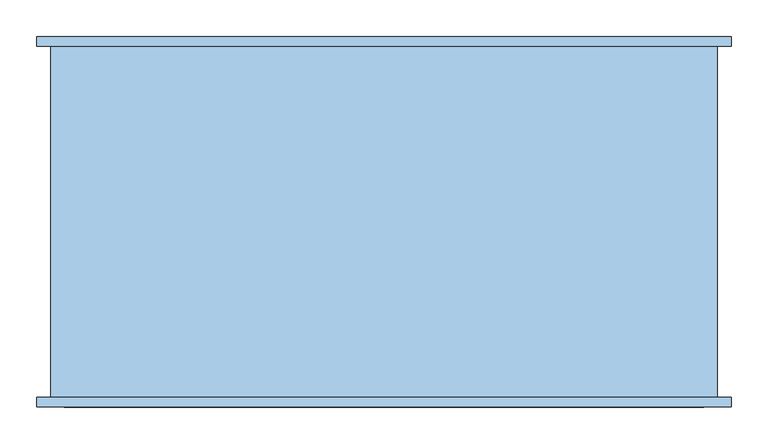
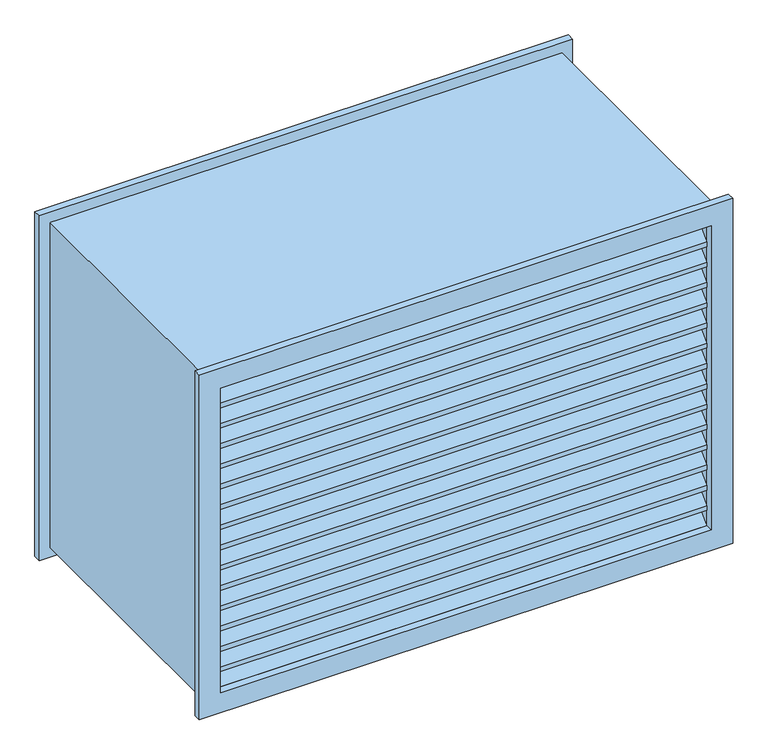
"""IFC4 building model written with IfcOpenShell, lengths in millimetres: window geometry."""

from ifc_helpers import new_model, si_unit, frame, origin, place, context, project, spatial, polyline, outline, extrude, source, transform, mapped, element, save


def window_001b746d(model_context):
    return source(origin(), model_context, "Body", "SweptSolid", [
        extrude(outline(polyline([(1543.55, -473.95), (896.05, -473.95), (896.05, 473.95), (1543.55, 473.95), (1543.55, -473.95)]), holes=[polyline([(1505.55, -435.95), (1505.55, 435.95), (934.05, 435.95), (934.05, -435.95), (1505.55, -435.95)])]), frame((0.0, -246.65, 0.0), z_axis=(0.0, 1.0, 0.0), x_axis=(0.0, 0.0, 1.0)), (0.0, 0.0, 1.0), 13.0),
        extrude(outline(polyline([(1543.55, 473.95), (1543.55, -473.95), (896.05, -473.95), (896.05, 473.95), (1543.55, 473.95)]), holes=[polyline([(1505.55, 435.95), (934.05, 435.95), (934.05, -435.95), (1505.55, -435.95), (1505.55, 435.95)])]), frame((0.0, 246.35, 0.0), z_axis=(0.0, 1.0, 0.0), x_axis=(0.0, 0.0, 1.0)), (0.0, 0.0, 1.0), 13.0),
        extrude(outline(polyline([(1524.6, 455.0), (1524.6, -455.0), (915.0, -455.0), (915.0, 455.0), (1524.6, 455.0)]), holes=[polyline([(1505.55, 435.95), (934.05, 435.95), (934.05, -435.95), (1505.55, -435.95), (1505.55, 435.95)])]), frame((0.0, -233.65, 0.0), z_axis=(0.0, 1.0, 0.0), x_axis=(0.0, 0.0, 1.0)), (0.0, 0.0, 1.0), 480.0),
        extrude(outline(polyline([(-197.7289755, 969.9710245), (-161.807951, 934.05), (-170.7882072, 934.05), (-197.7289755, 960.9907684), (-224.6697439, 934.05), (-233.65, 934.05), (-197.7289755, 969.9710245)])), frame((-435.95, 0.0, 0.0), z_axis=(1.0, 0.0, 0.0), x_axis=(0.0, 1.0, 0.0)), (0.0, 0.0, 1.0), 871.9),
        extrude(outline(polyline([(-197.7289755, 1008.0710245), (-161.807951, 972.15), (-161.807951, 963.1697439), (-197.7289755, 999.0907684), (-233.65, 963.1697439), (-233.65, 972.15), (-197.7289755, 1008.0710245)])), frame((-435.95, 0.0, 0.0), z_axis=(1.0, 0.0, 0.0), x_axis=(0.0, 1.0, 0.0)), (0.0, 0.0, 1.0), 871.9),
        extrude(outline(polyline([(-197.7289755, 1046.1710245), (-161.807951, 1010.25), (-161.807951, 1001.2697439), (-197.7289755, 1037.1907684), (-233.65, 1001.2697439), (-233.65, 1010.25), (-197.7289755, 1046.1710245)])), frame((-435.95, 0.0, 0.0), z_axis=(1.0, 0.0, 0.0), x_axis=(0.0, 1.0, 0.0)), (0.0, 0.0, 1.0), 871.9),
        extrude(outline(polyline([(-197.7289755, 1084.2710245), (-161.807951, 1048.35), (-161.807951, 1039.3697439), (-197.7289755, 1075.2907684), (-233.65, 1039.3697439), (-233.65, 1048.35), (-197.7289755, 1084.2710245)])), frame((-435.95, 0.0, 0.0), z_axis=(1.0, 0.0, 0.0), x_axis=(0.0, 1.0, 0.0)), (0.0, 0.0, 1.0), 871.9),
        extrude(outline(polyline([(-197.7289755, 1122.3710245), (-161.807951, 1086.45), (-161.807951, 1077.4697439), (-197.7289755, 1113.3907684), (-233.65, 1077.4697439), (-233.65, 1086.45), (-197.7289755, 1122.3710245)])), frame((-435.95, 0.0, 0.0), z_axis=(1.0, 0.0, 0.0), x_axis=(0.0, 1.0, 0.0)), (0.0, 0.0, 1.0), 871.9),
        extrude(outline(polyline([(-197.7289755, 1160.4710245), (-161.807951, 1124.55), (-161.807951, 1115.5697439), (-197.7289755, 1151.4907684), (-233.65, 1115.5697439), (-233.65, 1124.55), (-197.7289755, 1160.4710245)])), frame((-435.95, 0.0, 0.0), z_axis=(1.0, 0.0, 0.0), x_axis=(0.0, 1.0, 0.0)), (0.0, 0.0, 1.0), 871.9),
        extrude(outline(polyline([(-197.7289755, 1198.5710245), (-161.807951, 1162.65), (-161.807951, 1153.6697439), (-197.7289755, 1189.5907684), (-233.65, 1153.6697439), (-233.65, 1162.65), (-197.7289755, 1198.5710245)])), frame((-435.95, 0.0, 0.0), z_axis=(1.0, 0.0, 0.0), x_axis=(0.0, 1.0, 0.0)), (0.0, 0.0, 1.0), 871.9),
        extrude(outline(polyline([(-197.7289755, 1236.6710245), (-161.807951, 1200.75), (-161.807951, 1191.7697439), (-197.7289755, 1227.6907684), (-233.65, 1191.7697439), (-233.65, 1200.75), (-197.7289755, 1236.6710245)])), frame((-435.95, 0.0, 0.0), z_axis=(1.0, 0.0, 0.0), x_axis=(0.0, 1.0, 0.0)), (0.0, 0.0, 1.0), 871.9),
        extrude(outline(polyline([(-197.7289755, 1274.7710245), (-161.807951, 1238.85), (-161.807951, 1229.8697439), (-197.7289755, 1265.7907684), (-233.65, 1229.8697439), (-233.65, 1238.85), (-197.7289755, 1274.7710245)])), frame((-435.95, 0.0, 0.0), z_axis=(1.0, 0.0, 0.0), x_axis=(0.0, 1.0, 0.0)), (0.0, 0.0, 1.0), 871.9),
        extrude(outline(polyline([(-197.7289755, 1312.8710245), (-161.807951, 1276.95), (-161.807951, 1267.9697439), (-197.7289755, 1303.8907684), (-233.65, 1267.9697439), (-233.65, 1276.95), (-197.7289755, 1312.8710245)])), frame((-435.95, 0.0, 0.0), z_axis=(1.0, 0.0, 0.0), x_axis=(0.0, 1.0, 0.0)), (0.0, 0.0, 1.0), 871.9),
        extrude(outline(polyline([(-197.7289755, 1350.9710245), (-161.807951, 1315.05), (-161.807951, 1306.0697439), (-197.7289755, 1341.9907684), (-233.65, 1306.0697439), (-233.65, 1315.05), (-197.7289755, 1350.9710245)])), frame((-435.95, 0.0, 0.0), z_axis=(1.0, 0.0, 0.0), x_axis=(0.0, 1.0, 0.0)), (0.0, 0.0, 1.0), 871.9),
        extrude(outline(polyline([(-197.7289755, 1389.0710245), (-161.807951, 1353.15), (-161.807951, 1344.1697439), (-197.7289755, 1380.0907684), (-233.65, 1344.1697439), (-233.65, 1353.15), (-197.7289755, 1389.0710245)])), frame((-435.95, 0.0, 0.0), z_axis=(1.0, 0.0, 0.0), x_axis=(0.0, 1.0, 0.0)), (0.0, 0.0, 1.0), 871.9),
        extrude(outline(polyline([(-197.7289755, 1427.1710245), (-161.807951, 1391.25), (-161.807951, 1382.2697439), (-197.7289755, 1418.1907684), (-233.65, 1382.2697439), (-233.65, 1391.25), (-197.7289755, 1427.1710245)])), frame((-435.95, 0.0, 0.0), z_axis=(1.0, 0.0, 0.0), x_axis=(0.0, 1.0, 0.0)), (0.0, 0.0, 1.0), 871.9),
        extrude(outline(polyline([(-197.7289755, 1465.1710245), (-161.807951, 1429.35), (-161.807951, 1420.3697439), (-197.7289755, 1456.2907684), (-233.65, 1420.3697439), (-233.65, 1429.35), (-197.7289755, 1465.1710245)])), frame((-435.95, 0.0, 0.0), z_axis=(1.0, 0.0, 0.0), x_axis=(0.0, 1.0, 0.0)), (0.0, 0.0, 1.0), 871.9),
        extrude(outline(polyline([(-197.7289755, 1503.2710245), (-161.807951, 1467.35), (-161.807951, 1458.3697439), (-197.7289755, 1494.2907684), (-233.65, 1458.3697439), (-233.65, 1467.35), (-197.7289755, 1503.2710245)])), frame((-435.95, 0.0, 0.0), z_axis=(1.0, 0.0, 0.0), x_axis=(0.0, 1.0, 0.0)), (0.0, 0.0, 1.0), 871.9),
    ])


if __name__ == "__main__":
    model = new_model("IFC4")
    model_context = context("Model", 3, world=origin())
    ifc_project = project(units=[si_unit("LENGTHUNIT", "METRE", prefix="MILLI")], contexts=[model_context])
    site = spatial("IfcSite", under=ifc_project)
    building = spatial("IfcBuilding", under=site)
    placement = place(None, origin())
    window_shape = window_001b746d(model_context)
    element("IfcWindow", 1, at=placement, inside=building, context=model_context, shape_type="MappedRepresentation", body=[
        mapped(window_shape, transform((0.0, 0.0, 0.0), x_axis=(1.0, 0.0, 0.0), y_axis=(0.0, 1.0, 0.0), z_axis=(0.0, 0.0, 1.0))),
    ])
    save(model, "model.ifc")
